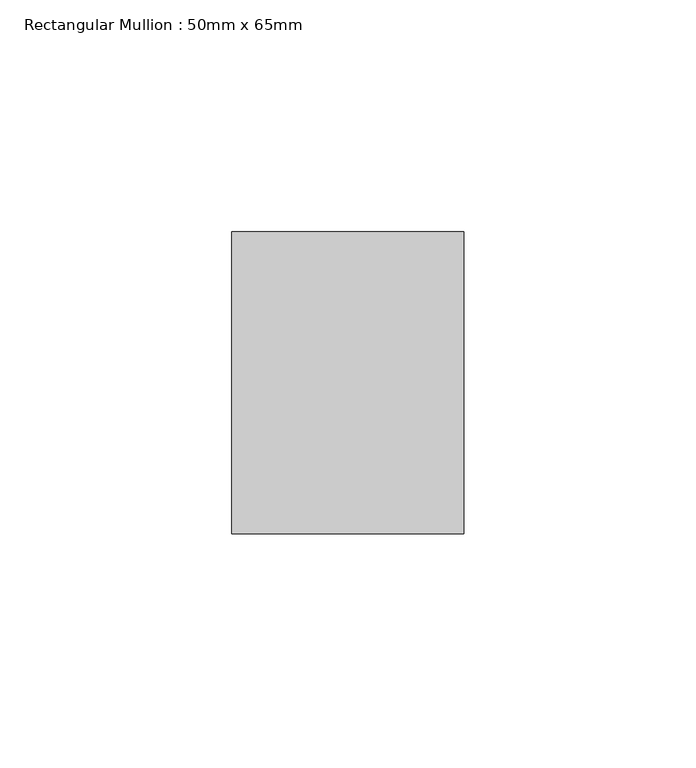
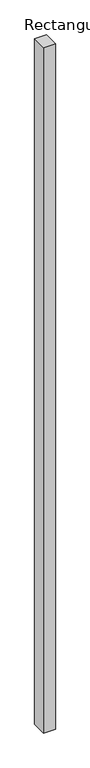
"""IFC4 building model written with IfcOpenShell, lengths in millimetres: member geometry, Rectangular Mullion : 50mm x 65mm."""

import ifcopenshell
import ifcopenshell.guid

model = None  # the IFC model being written
_history = None  # IfcOwnerHistory: only IFC2X3 demands one
_inside = {}  # id of a spatial element -> (the spatial element, [elements in it])
_under = {}  # id of a project, library or spatial element -> (it, [spatial elements below it])
_declared = {}  # id of a project -> (the project, [libraries it declares])
_typed = {}  # id of a type object -> (the type object, [elements of that type])
_made_of = {}  # id of a material, layer set ... -> (it, [elements and type objects made of it])


def new_model(schema):
    """Start an empty IFC model of exactly this schema.

    Asked for "IFC4X3", IfcOpenShell would pick the latest addendum, in which some entities
    have other attributes; the version numbers below select the first issue.
    IFC2X3 requires an IfcOwnerHistory on every rooted entity: one is made here for all.
    """
    global model, _history
    if schema == "IFC4X3":
        model = ifcopenshell.file(schema_version=(4, 3, 0, 0))
    else:
        model = ifcopenshell.file(schema=schema)
    _inside.clear()
    _under.clear()
    _declared.clear()
    _typed.clear()
    _made_of.clear()
    _history = None
    if model.schema == "IFC2X3":
        org = make("IfcOrganization", Name="unknown")
        user = make(
            "IfcPersonAndOrganization",
            ThePerson=make("IfcPerson", FamilyName="unknown"),
            TheOrganization=org,
        )
        app = make(
            "IfcApplication",
            ApplicationDeveloper=org,
            Version="unknown",
            ApplicationFullName="unknown",
            ApplicationIdentifier="unknown",
        )
        _history = make(
            "IfcOwnerHistory",
            OwningUser=user,
            OwningApplication=app,
            ChangeAction="ADDED",
            CreationDate=0,
        )
    return model


def make(cls, **values):
    """One entity of the class cls with the attributes given. An attribute that is None is left unset."""
    return model.create_entity(
        cls, **{name: value for name, value in values.items() if value is not None}
    )


def rooted(cls, **values):
    """An entity with a GlobalId (a new one), such as an element, a storey or a relation."""
    return make(cls, GlobalId=ifcopenshell.guid.new(), OwnerHistory=_history, **values)


def si_unit(unit_type, name, prefix=None):
    """IfcSIUnit, for example si_unit("LENGTHUNIT", "METRE", prefix="MILLI")."""
    return make("IfcSIUnit", UnitType=unit_type, Prefix=prefix, Name=name)


def assignment(units):
    """IfcUnitAssignment: the units of a project."""
    return None if units is None else make("IfcUnitAssignment", Units=units)


def point(xyz):
    """IfcCartesianPoint."""
    return None if xyz is None else make("IfcCartesianPoint", Coordinates=xyz)


def direction(xyz):
    """IfcDirection."""
    return None if xyz is None else make("IfcDirection", DirectionRatios=xyz)


def frame(location, z_axis=None, x_axis=None):
    """IfcAxis2Placement3D, a coordinate frame: its origin and axes. An axis left out is left unset."""
    return make(
        "IfcAxis2Placement3D",
        Location=point(location),
        Axis=direction(z_axis),
        RefDirection=direction(x_axis),
    )


def origin():
    """The frame at (0, 0, 0) with its axes left unset."""
    return frame((0.0, 0.0, 0.0))


def place(relative_to, where):
    """IfcLocalPlacement: puts the frame where relative to a parent placement (None: the world)."""
    return make(
        "IfcLocalPlacement", PlacementRelTo=relative_to, RelativePlacement=where
    )


def context(
    kind, dimensions, precision=None, world=None, true_north=None, identifier=None
):
    """IfcGeometricRepresentationContext, for example the 3D "Model" context."""
    return make(
        "IfcGeometricRepresentationContext",
        ContextIdentifier=identifier,
        ContextType=kind,
        CoordinateSpaceDimension=dimensions,
        Precision=precision,
        WorldCoordinateSystem=world,
        TrueNorth=true_north,
    )


def project(units=None, contexts=None):
    """IfcProject with its units and contexts."""
    return rooted(
        "IfcProject",
        Name="project",
        RepresentationContexts=contexts,
        UnitsInContext=assignment(units),
    )


def spatial(cls, under=None, at=None, **own):
    """A site, building, storey or space (cls), placed at a placement, below another one or the project."""
    s = rooted(cls, ObjectPlacement=at, **own)
    if under is not None:
        _under.setdefault(under.id(), (under, []))[1].append(s)
    return s


def polyline(points):
    """IfcPolyline through the points."""
    return make("IfcPolyline", Points=[point(p) for p in points])


def outline(outer, holes=None, kind="AREA"):
    """IfcArbitraryClosedProfileDef: a profile drawn as a closed curve; with holes, ...WithVoids."""
    if holes is None:
        return make("IfcArbitraryClosedProfileDef", ProfileType=kind, OuterCurve=outer)
    return make(
        "IfcArbitraryProfileDefWithVoids",
        ProfileType=kind,
        OuterCurve=outer,
        InnerCurves=holes,
    )


def extrude(swept, where, along, depth):
    """IfcExtrudedAreaSolid: the profile swept, set in the frame where, extruded along a direction by depth."""
    return make(
        "IfcExtrudedAreaSolid",
        SweptArea=swept,
        Position=where,
        ExtrudedDirection=direction(along),
        Depth=depth,
    )


def shape(context_of_items, identifier, shape_type, items):
    """IfcShapeRepresentation: the items that make up one representation, for example the "Body"."""
    return make(
        "IfcShapeRepresentation",
        ContextOfItems=context_of_items,
        RepresentationIdentifier=identifier,
        RepresentationType=shape_type,
        Items=items,
    )


def source(mapping_origin, context_of_items, identifier, shape_type, items):
    """IfcRepresentationMap: a shape defined once, which mapped items show again and again."""
    return make(
        "IfcRepresentationMap",
        MappingOrigin=mapping_origin,
        MappedRepresentation=shape(context_of_items, identifier, shape_type, items),
    )


def transform(
    local_origin,
    x_axis=None,
    y_axis=None,
    z_axis=None,
    scale=None,
    scale2=None,
    scale3=None,
    uniform=True,
):
    """IfcCartesianTransformationOperator3D, or its non-uniform kind. x_axis, y_axis, z_axis: its Axis1, 2, 3."""
    if uniform:
        return make(
            "IfcCartesianTransformationOperator3D",
            Axis1=direction(x_axis),
            Axis2=direction(y_axis),
            LocalOrigin=point(local_origin),
            Scale=scale,
            Axis3=direction(z_axis),
        )
    return make(
        "IfcCartesianTransformationOperator3DnonUniform",
        Axis1=direction(x_axis),
        Axis2=direction(y_axis),
        LocalOrigin=point(local_origin),
        Scale=scale,
        Axis3=direction(z_axis),
        Scale2=scale2,
        Scale3=scale3,
    )


def mapped(mapping_source, mapping_target):
    """IfcMappedItem: shows the shape of a source again, moved by a transform."""
    return make(
        "IfcMappedItem", MappingSource=mapping_source, MappingTarget=mapping_target
    )


def made_of(thing, what):
    """Note that an element or type object is made of a material, layer set ...; save() writes the relation."""
    if what is not None:
        _made_of.setdefault(what.id(), (what, []))[1].append(thing)
    return thing


def element(
    cls,
    number,
    at=None,
    inside=None,
    cuts=None,
    type_object=None,
    material=None,
    context=None,
    identifier="Body",
    shape_type=None,
    held_by="IfcProductDefinitionShape",
    body=None,
    shapes=None,
    **own,
):
    """One element of the class cls, such as IfcWall. Its Tag is "e" and its number.

    at: its placement. inside: the storey or other place that contains it. cuts: it is an
    opening in that element (IfcRelVoidsElement). A single representation is given by context,
    identifier, shape_type and body (its items); several are given by shapes. held_by: the class
    of the entity that holds the representations. save() writes the other relations.
    """
    e = rooted(cls, Tag="e%d" % number, ObjectPlacement=at, **own)
    if body is not None:
        shapes = [shape(context, identifier, shape_type, body)]
    if shapes is not None:
        e.Representation = make(held_by, Representations=shapes)
    if inside is not None:
        _inside.setdefault(inside.id(), (inside, []))[1].append(e)
    if cuts is not None:
        rooted(
            "IfcRelVoidsElement", RelatingBuildingElement=cuts, RelatedOpeningElement=e
        )
    if type_object is not None:
        _typed.setdefault(type_object.id(), (type_object, []))[1].append(e)
    return made_of(e, material)


def aggregate(whole, parts):
    """IfcRelAggregates: a whole, such as a stair, and the parts it consists of."""
    return rooted("IfcRelAggregates", RelatingObject=whole, RelatedObjects=parts)


def save(model, path):
    """Write the relations noted so far, then the file.

    IfcRelAggregates (storeys below a building ...), IfcRelContainedInSpatialStructure (elements
    in a storey), IfcRelDefinesByType, IfcRelAssociatesMaterial and IfcRelDeclares: one each for
    every whole, place, type object, material and project.
    """
    for whole, parts in _under.values():
        aggregate(whole, parts)
    for where, things in _inside.values():
        rooted(
            "IfcRelContainedInSpatialStructure",
            RelatedElements=things,
            RelatingStructure=where,
        )
    for kind, things in _typed.values():
        rooted("IfcRelDefinesByType", RelatedObjects=things, RelatingType=kind)
    for what, things in _made_of.values():
        rooted("IfcRelAssociatesMaterial", RelatedObjects=things, RelatingMaterial=what)
    for by, libraries in _declared.values():
        rooted("IfcRelDeclares", RelatingContext=by, RelatedDefinitions=libraries)
    model.write(path)


def rectangular_mullion_50mm_x_65mm_d9a7927b(model_context):
    return source(origin(), model_context, "Body", "SweptSolid", [
        extrude(outline(polyline([(25.0, 32.5), (25.0, -32.5), (-25.0, -32.5), (-25.0, 32.5), (25.0, 32.5)])), frame((0.0, 0.0, -3078.7118138), z_axis=(0.0, 0.0, 1.0), x_axis=(1.0, 0.0, 0.0)), (0.0, 0.0, 1.0), 3078.7118138),
    ])


if __name__ == "__main__":
    model = new_model("IFC4")
    model_context = context("Model", 3, world=origin())
    ifc_project = project(units=[si_unit("LENGTHUNIT", "METRE", prefix="MILLI")], contexts=[model_context])
    site = spatial("IfcSite", under=ifc_project)
    building = spatial("IfcBuilding", under=site)
    placement = place(None, origin())
    rectangular_mullion_50mm_x_65mm_shape = rectangular_mullion_50mm_x_65mm_d9a7927b(model_context)
    element("IfcMember", 1, ObjectType="Rectangular Mullion : 50mm x 65mm", at=placement, inside=building, context=model_context, shape_type="MappedRepresentation", body=[
        mapped(rectangular_mullion_50mm_x_65mm_shape, transform((0.0, 0.0, 0.0), x_axis=(1.0, 0.0, 0.0), y_axis=(0.0, 1.0, 0.0), z_axis=(0.0, 0.0, 1.0))),
    ])
    save(model, "model.ifc")
